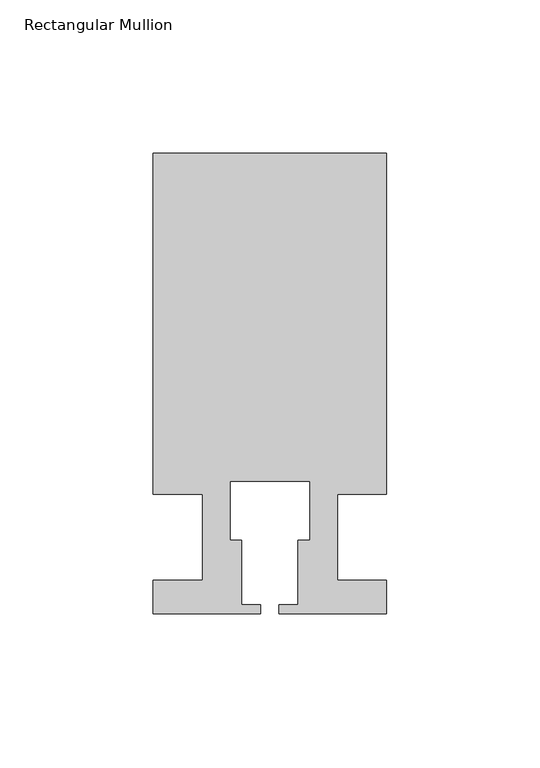
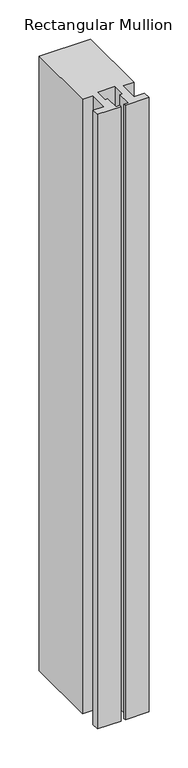
"""IFC4 building model written with IfcOpenShell, lengths in millimetres: member geometry, Rectangular Mullion."""

from ifc_helpers import new_model, si_unit, frame, origin, place, context, project, spatial, polyline, outline, extrude, source, transform, mapped, element, save


def rectangular_mullion_69a3d729(model_context):
    return source(origin(), model_context, "Body", "SweptSolid", [
        extrude(outline(polyline([(37.9999914, 124.9960123), (37.9999914, 13.9960123), (21.9999651, 13.9960123), (21.9999651, -14.0039877), (37.9999896, -14.0039877), (37.9999896, -25.0039877), (2.9999651, -25.0039877), (2.9999651, -22.0039877), (9.1999651, -22.0039877), (9.1999651, -1.0039877), (12.9999651, -1.0039877), (12.9999651, 18.1960075), (-12.9999633, 18.1960075), (-12.9999633, -1.0039877), (-9.1999633, -1.0039877), (-9.1999633, -22.0039877), (-2.9999896, -22.0039877), (-2.9999896, -25.0039877), (-37.9999896, -25.0039877), (-37.9999896, -14.0039877), (-21.9999633, -14.0039877), (-21.9999633, 13.9959029), (-37.9999896, 13.9959029), (-37.9999896, 124.9960123), (37.9999914, 124.9960123)])), frame((0.0, 0.0, -958.9865328), z_axis=(0.0, 0.0, 1.0), x_axis=(1.0, 0.0, 0.0)), (0.0, 0.0, 1.0), 958.9865328),
    ])


if __name__ == "__main__":
    model = new_model("IFC4")
    model_context = context("Model", 3, world=origin())
    ifc_project = project(units=[si_unit("LENGTHUNIT", "METRE", prefix="MILLI")], contexts=[model_context])
    site = spatial("IfcSite", under=ifc_project)
    building = spatial("IfcBuilding", under=site)
    placement = place(None, origin())
    rectangular_mullion_shape = rectangular_mullion_69a3d729(model_context)
    element("IfcMember", 1, ObjectType="Rectangular Mullion", at=placement, inside=building, context=model_context, shape_type="MappedRepresentation", body=[
        mapped(rectangular_mullion_shape, transform((0.0, 0.0, 0.0), x_axis=(1.0, 0.0, 0.0), y_axis=(0.0, 1.0, 0.0), z_axis=(0.0, 0.0, 1.0))),
    ])
    save(model, "model.ifc")
